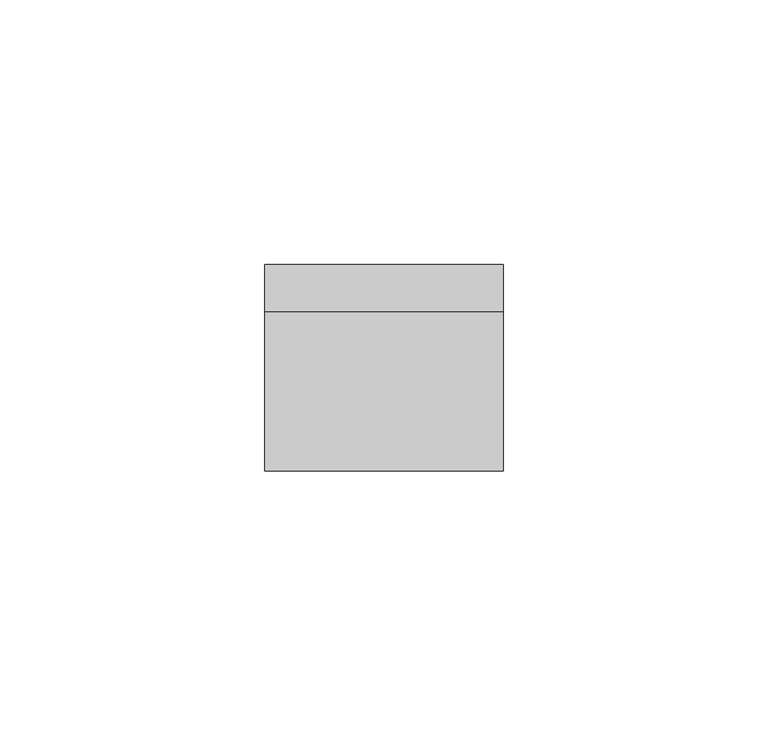
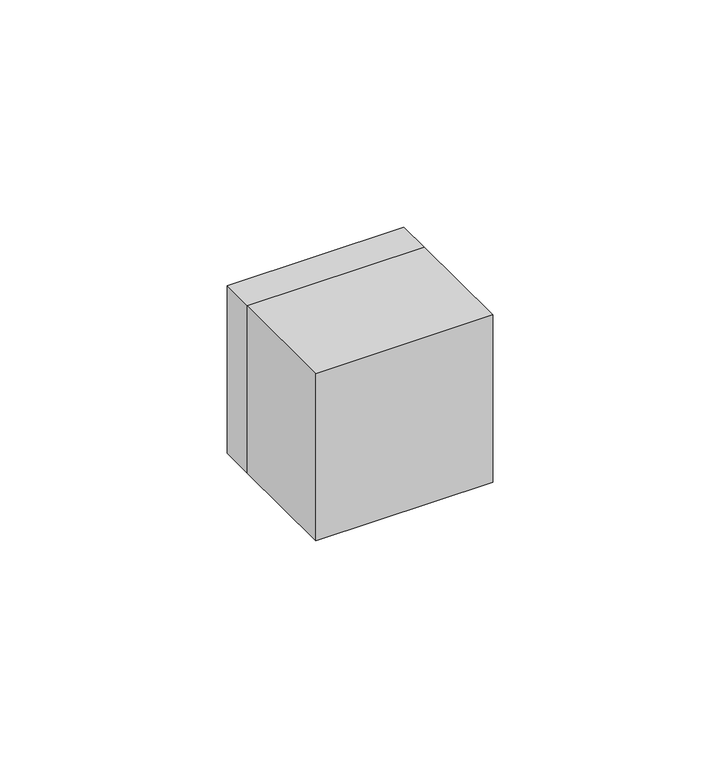
"""IFC4 building model written with IfcOpenShell, lengths in millimetres: electric appliance geometry."""

from ifc_helpers import new_model, si_unit, frame, origin, place, context, project, spatial, polyline, outline, extrude, source, transform, mapped, element, save


def electric_appliance_b1dd685b(model_context):
    return source(origin(), model_context, "Body", "SweptSolid", [
        extrude(outline(polyline([(-2.5, 0.0), (-12.5, 0.0), (-12.5, 6.0), (-2.5, 6.0), (-2.5, 0.0)])), frame((0.0, 0.0, 3.0), z_axis=(0.0, 0.0, 1.0), x_axis=(1.0, 0.0, 0.0)), (0.0, 0.0, 1.0), 1.0),
        extrude(outline(polyline([(12.5, 0.0), (2.5, 0.0), (2.5, 6.0), (12.5, 6.0), (12.5, 0.0)])), frame((0.0, 0.0, 3.0), z_axis=(0.0, 0.0, 1.0), x_axis=(1.0, 0.0, 0.0)), (0.0, 0.0, 1.0), 1.0),
        extrude(outline(polyline([(22.5, -30.0), (-22.5, -30.0), (-22.5, 0.0), (22.5, 0.0), (22.5, -30.0)])), frame((0.0, 0.0, -22.5), z_axis=(0.0, 0.0, 1.0), x_axis=(1.0, 0.0, 0.0)), (0.0, 0.0, 1.0), 45.0),
        extrude(outline(polyline([(22.5, 22.5), (22.5, -22.5), (-22.5, -22.5), (-22.5, 22.5), (22.5, 22.5)]), holes=[polyline([(-7.0, 1.0), (7.0, 1.0), (7.0, 14.0), (-7.0, 14.0), (-7.0, 1.0)]), polyline([(-7.0, -14.0), (7.0, -14.0), (7.0, -1.0), (-7.0, -1.0), (-7.0, -14.0)])]), frame((0.0, 0.0, 0.0), z_axis=(0.0, 1.0, 0.0), x_axis=(0.0, 0.0, 1.0)), (0.0, 0.0, 1.0), 9.0),
        extrude(outline(polyline([(6.8, 13.8), (6.8, 1.2), (-6.8, 1.2), (-6.8, 13.8), (6.8, 13.8)]), holes=[polyline([(-6.0, 9.5037086), (-6.0, 5.4962914), (-4.5, 5.4962914), (-4.5, 2.9962914), (-3.0, 2.9962914), (-3.0, 1.5), (4.0, 1.5), (4.0, 13.5), (-3.0, 13.5), (-3.0, 12.0037086), (-4.5, 12.0037086), (-4.5, 9.5037086), (-6.0, 9.5037086)])]), frame((0.0, 0.0, 0.0), z_axis=(0.0, 1.0, 0.0), x_axis=(0.0, 0.0, 1.0)), (0.0, 0.0, 1.0), 9.0),
        extrude(outline(polyline([(6.8, -1.2), (6.8, -13.8), (-6.8, -13.8), (-6.8, -1.2), (6.8, -1.2)]), holes=[polyline([(-6.0, -5.4962914), (-6.0, -9.5037086), (-4.5, -9.5037086), (-4.5, -12.0037086), (-3.0, -12.0037086), (-3.0, -13.5), (4.0, -13.5), (4.0, -1.5), (-3.0, -1.5), (-3.0, -2.9962914), (-4.5, -2.9962914), (-4.5, -5.4962914), (-6.0, -5.4962914)])]), frame((0.0, 0.0, 0.0), z_axis=(0.0, 1.0, 0.0), x_axis=(0.0, 0.0, 1.0)), (0.0, 0.0, 1.0), 9.0),
    ])


if __name__ == "__main__":
    model = new_model("IFC4")
    model_context = context("Model", 3, world=origin())
    ifc_project = project(units=[si_unit("LENGTHUNIT", "METRE", prefix="MILLI")], contexts=[model_context])
    site = spatial("IfcSite", under=ifc_project)
    building = spatial("IfcBuilding", under=site)
    placement = place(None, origin())
    electric_appliance_shape = electric_appliance_b1dd685b(model_context)
    element("IfcElectricAppliance", 1, at=placement, inside=building, context=model_context, shape_type="MappedRepresentation", body=[
        mapped(electric_appliance_shape, transform((0.0, 0.0, 0.0), x_axis=(1.0, 0.0, 0.0), y_axis=(0.0, 1.0, 0.0), z_axis=(0.0, 0.0, 1.0))),
    ])
    save(model, "model.ifc")
